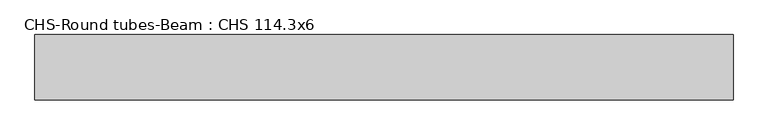
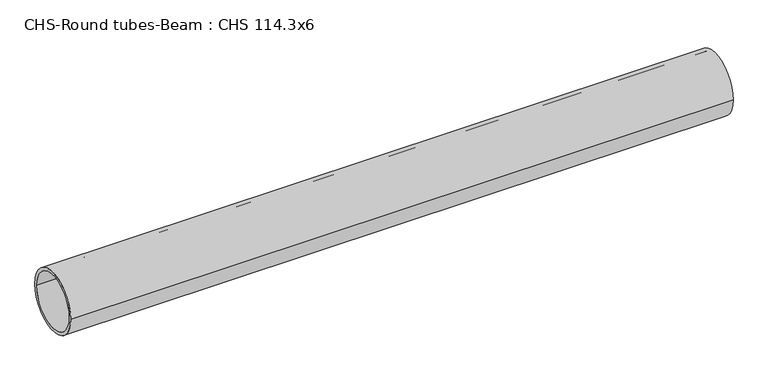
"""IFC4 building model written with IfcOpenShell, lengths in millimetres: beam geometry, CHS-Round tubes-Beam : CHS 114.3x6."""

from ifc_helpers import new_model, si_unit, point, frame, origin, origin_2d, place, context, project, spatial, circle_curve, trimmed, segment, composite_curve, outline, extrude, source, transform, mapped, element, save


def chs_round_tubes_beam_chs_114_3x6_dce8e1c3(model_context):
    return source(origin(), model_context, "Body", "SweptSolid", [
        extrude(outline(composite_curve([segment(trimmed(circle_curve(origin_2d(), 57.15), [point((57.15, 0.0))], [point((-57.15, 0.0))], False, "CARTESIAN"), True, "CONTINUOUS"), segment(trimmed(circle_curve(origin_2d(), 57.15), [point((-57.15, 0.0))], [point((57.15, 0.0))], False, "CARTESIAN"), True, "CONTINUOUS")], self_intersect=False), holes=[composite_curve([segment(trimmed(circle_curve(origin_2d(), 51.15), [point((51.15, 0.0))], [point((-51.15, 0.0))], True, "CARTESIAN"), True, "CONTINUOUS"), segment(trimmed(circle_curve(origin_2d(), 51.15), [point((-51.15, 0.0))], [point((51.15, 0.0))], True, "CARTESIAN"), True, "CONTINUOUS")], self_intersect=False)]), frame((-615.5882095, 0.0, 0.0), z_axis=(1.0, 0.0, 0.0), x_axis=(0.0, 1.0, 0.0)), (0.0, 0.0, 1.0), 1219.1067577),
    ])


if __name__ == "__main__":
    model = new_model("IFC4")
    model_context = context("Model", 3, world=origin())
    ifc_project = project(units=[si_unit("LENGTHUNIT", "METRE", prefix="MILLI")], contexts=[model_context])
    site = spatial("IfcSite", under=ifc_project)
    building = spatial("IfcBuilding", under=site)
    placement = place(None, origin())
    chs_round_tubes_beam_chs_114_3x6_shape = chs_round_tubes_beam_chs_114_3x6_dce8e1c3(model_context)
    element("IfcBeam", 1, ObjectType="CHS-Round tubes-Beam : CHS 114.3x6", at=placement, inside=building, context=model_context, shape_type="MappedRepresentation", body=[
        mapped(chs_round_tubes_beam_chs_114_3x6_shape, transform((0.0, 0.0, 0.0), x_axis=(1.0, 0.0, 0.0), y_axis=(0.0, 1.0, 0.0), z_axis=(0.0, 0.0, 1.0))),
    ])
    save(model, "model.ifc")
